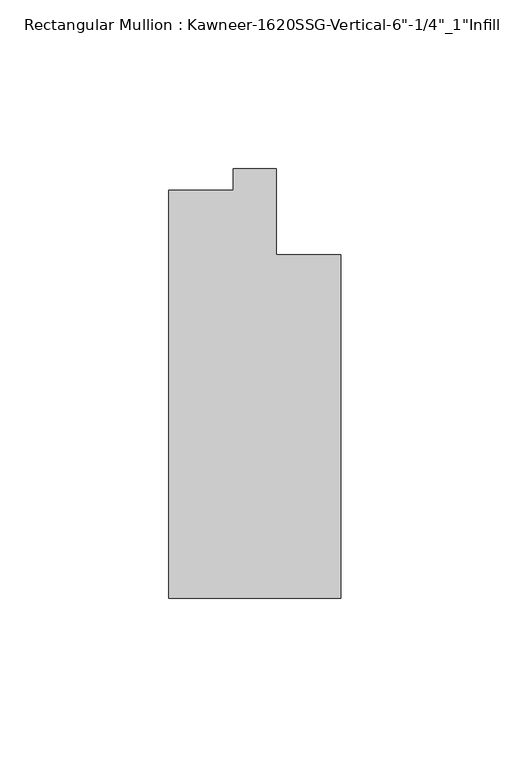
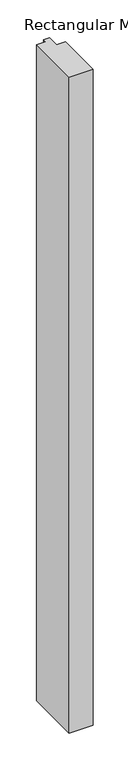
"""IFC4 building model written with IfcOpenShell, lengths in millimetres: member geometry."""

from ifc_helpers import new_model, si_unit, frame, origin, place, context, project, spatial, polyline, outline, extrude, source, transform, mapped, element, save


def member_ccd558ba(model_context):
    return source(origin(), model_context, "Body", "SweptSolid", [
        extrude(outline(polyline([(25.4, -123.825), (-25.4, -123.825), (-25.4, -3.175), (-6.35, -3.175), (-6.35, 3.175), (6.35, 3.175), (6.35, -22.225), (25.4, -22.225), (25.4, -123.825)])), frame((0.0, 0.0, -1473.2), z_axis=(0.0, 0.0, 1.0), x_axis=(1.0, 0.0, 0.0)), (0.0, 0.0, 1.0), 1473.2),
    ])


if __name__ == "__main__":
    model = new_model("IFC4")
    model_context = context("Model", 3, world=origin())
    ifc_project = project(units=[si_unit("LENGTHUNIT", "METRE", prefix="MILLI")], contexts=[model_context])
    site = spatial("IfcSite", under=ifc_project)
    building = spatial("IfcBuilding", under=site)
    placement = place(None, origin())
    member_shape = member_ccd558ba(model_context)
    element("IfcMember", 1, ObjectType="Rectangular Mullion : Kawneer-1620SSG-Vertical-6\"-1/4\"_1\"Infill", at=placement, inside=building, context=model_context, shape_type="MappedRepresentation", body=[
        mapped(member_shape, transform((0.0, 0.0, 0.0), x_axis=(1.0, 0.0, 0.0), y_axis=(0.0, 1.0, 0.0), z_axis=(0.0, 0.0, 1.0))),
    ])
    save(model, "model.ifc")
